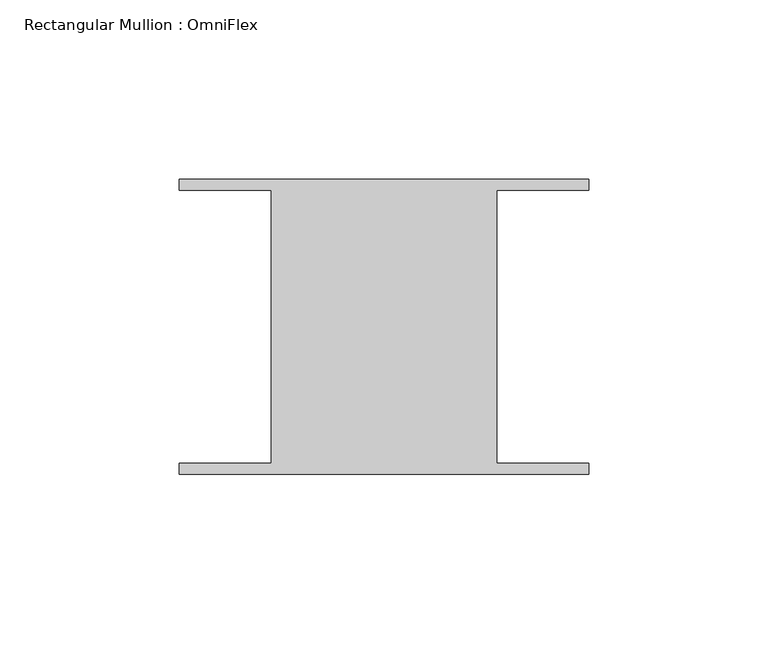
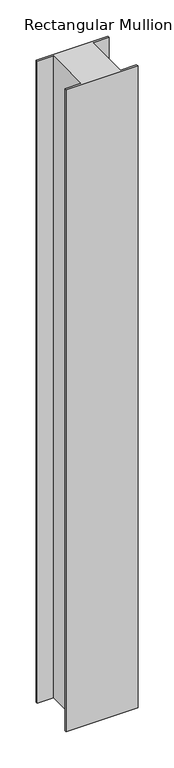
"""IFC4 building model written with IfcOpenShell, lengths in millimetres: member geometry, Rectangular Mullion : OmniFlex."""

from ifc_helpers import new_model, si_unit, frame, origin, place, context, project, spatial, polyline, outline, extrude, source, transform, mapped, element, save


def rectangular_mullion_omniflex_12e05043(model_context):
    return source(origin(), model_context, "Body", "SweptSolid", [
        extrude(outline(polyline([(-57.15, 38.0620588), (-57.15, 41.13784), (57.15, 41.13784), (57.15, 38.0620587), (31.4523437, 38.0620588), (31.4523437, -38.0620587), (57.15, -38.0620588), (57.15, -41.13784), (-57.15, -41.13784), (-57.15, -38.0620587), (-31.4523438, -38.0620587), (-31.4523438, 38.0620588), (-57.15, 38.0620588)])), frame((0.0, 0.0, -1079.3936727), z_axis=(0.0, 0.0, 1.0), x_axis=(1.0, 0.0, 0.0)), (0.0, 0.0, 1.0), 1079.3936727),
    ])


if __name__ == "__main__":
    model = new_model("IFC4")
    model_context = context("Model", 3, world=origin())
    ifc_project = project(units=[si_unit("LENGTHUNIT", "METRE", prefix="MILLI")], contexts=[model_context])
    site = spatial("IfcSite", under=ifc_project)
    building = spatial("IfcBuilding", under=site)
    placement = place(None, origin())
    rectangular_mullion_omniflex_shape = rectangular_mullion_omniflex_12e05043(model_context)
    element("IfcMember", 1, ObjectType="Rectangular Mullion : OmniFlex", at=placement, inside=building, context=model_context, shape_type="MappedRepresentation", body=[
        mapped(rectangular_mullion_omniflex_shape, transform((0.0, 0.0, 0.0), x_axis=(1.0, 0.0, 0.0), y_axis=(0.0, 1.0, 0.0), z_axis=(0.0, 0.0, 1.0))),
    ])
    save(model, "model.ifc")
